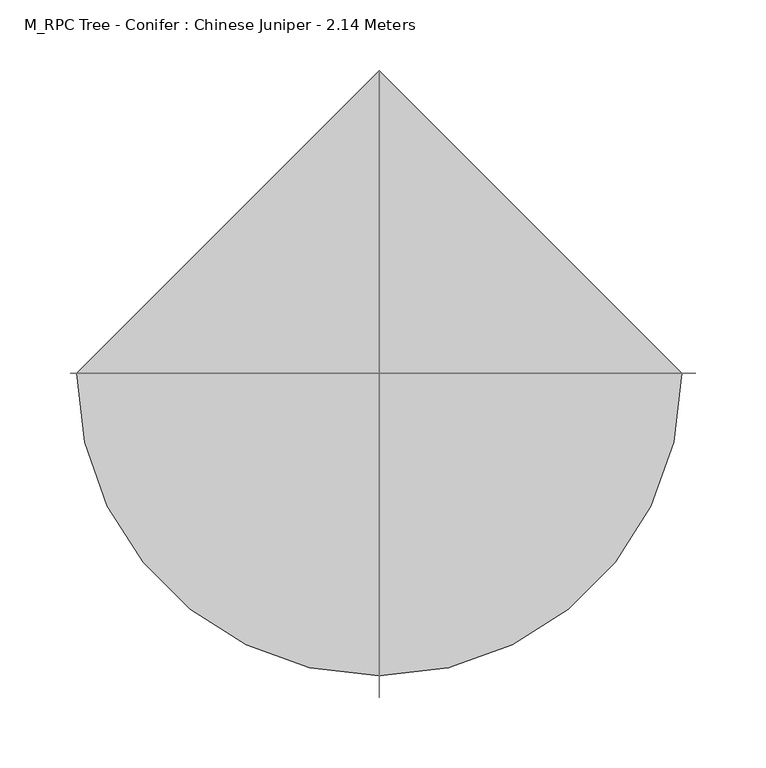
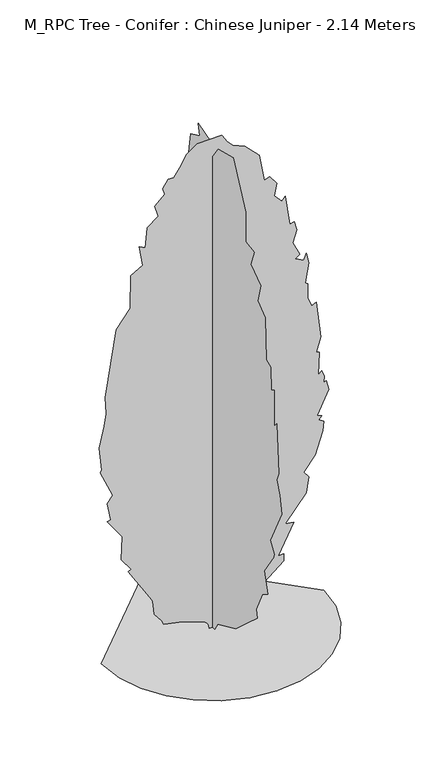
"""IFC4 building model written with IfcOpenShell, lengths in millimetres: geographic element geometry, M_RPC Tree - Conifer : Chinese Juniper - 2.14 Meters."""

from ifc_helpers import new_model, si_unit, origin, place, context, project, spatial, triangles, source, transform, mapped, element, save


def m_rpc_tree_conifer_chinese_juniper_2_14_meters_c57331a4(model_context):
    return source(origin(), model_context, "Body", "Tessellation", [
        triangles([(-6.6998034, 3e-07, 6e-07), (-8.3352851, -1e-07, 8.4081816), (-12.7481329, -3e-07, 14.2442125), (-57.8110152, 7e-07, 30.8285507), (-94.4193458, 1.8e-06, 38.5966721), (-97.9281705, 1.5e-06, 47.3686021), (-112.065716, 1e-06, 65.4662802), (-115.4722667, -5e-07, 92.9827965), (-120.7358626, -9e-07, 103.5091434), (-162.840769, -3e-06, 170.1755502), (-157.3931364, -3.4e-06, 173.4493692), (-176.0229585, -4.2e-06, 199.5661254), (-174.134847, -7e-06, 245.8888793), (-203.192085, -8.2e-06, 285.966393), (-196.1741994, -8.6e-06, 287.7199742), (-202.9194636, -1.04e-05, 323.1724614), (-192.6646753, -1.16e-05, 336.8427389), (-217.2266572, -1.38e-05, 391.2298262), (-213.7183139, -1.42e-05, 394.7381876), (-218.9814192, -1.68e-05, 442.1061902), (-209.4599619, -1.97e-05, 483.4336822), (-204.9456662, -2.13e-05, 507.0194881), (-206.7004283, -2.32e-05, 540.3529186), (-185.6479887, -3.19e-05, 671.9319511), (-159.3324257, -3.52e-05, 707.0201437), (-157.9098018, -3.91e-05, 772.5096056), (-134.7704257, -4.09e-05, 785.9680138), (-141.7883112, -4.3e-05, 826.3180944), (-129.8108901, -4.32e-05, 819.4467115), (-125.998968, -4.57e-05, 859.6515976), (-104.9456927, -4.76e-05, 875.4408955), (-111.963333, -4.86e-05, 898.2481516), (-92.6649379, -5.05e-05, 915.7922115), (-96.1737536, -5.11e-05, 928.0732206), (-85.6474157, -5.25e-05, 943.8625185), (-75.1210688, -5.3e-05, 943.8625185), (-63.0436492, -5.44e-05, 959.5435381), (-50.9355174, -5.63e-05, 982.3055208), (-29.2115187, -5.81e-05, 997.0163235), (17.4997029, -6.02e-05, 997.750799), (28.3880701, -5.97e-05, 980.7043104), (38.914417, -5.95e-05, 970.1781361), (62.3174671, -6e-05, 960.2661684), (89.7917212, -5.94e-05, 931.5815821), (100.3180682, -5.67e-05, 877.1956575), (110.8444061, -5.73e-05, 880.704019), (123.6827848, -5.68e-05, 862.3372622), (119.6160999, -5.52e-05, 838.5991035), (133.651862, -5.49e-05, 822.8098057), (140.6685486, -5.56e-05, 829.8276913), (149.4411962, -5.24e-05, 770.1774805), (158.2126539, -5.29e-05, 771.9322426), (162.9828933, -5.21e-05, 754.5524168), (155.1424016, -5.03e-05, 730.7035091), (168.7388646, -4.92e-05, 701.7570202), (159.5459846, -4.85e-05, 696.2450747), (175.7567502, -4.87e-05, 687.721249), (181.0198555, -4.96e-05, 700.0022581), (186.2829791, -4.86e-05, 678.9497641), (179.2662925, -4.6e-05, 640.3532101), (184.3317719, -4.6e-05, 636.1853685), (183.6281992, -4.42e-05, 607.6876531), (191.5460844, -4.35e-05, 589.4756833), (200.3187321, -4.41e-05, 592.9840447), (209.0901989, -4.01e-05, 519.3004609), (200.3187321, -3.8e-05, 491.2301539), (205.7818434, -3.82e-05, 489.3741989), (203.8270753, -3.54e-05, 443.8609523), (210.8449609, -3.6e-05, 449.1240758), (216.1080663, -3.55e-05, 436.8430667), (214.3533042, -3.47e-05, 424.5632566), (219.6164095, -3.5e-05, 426.316856), (224.8795331, -3.41e-05, 407.0191604), (202.0723133, -3.04e-05, 361.4047208), (210.8449609, -3.05e-05, 357.8963957), (205.5818374, -2.99e-05, 350.8785101), (214.3533042, -3e-05, 345.6153866), (212.5080498, -2.88e-05, 326.706984), (198.56397, -2.55e-05, 282.4568507), (175.7567502, -2.28e-05, 254.3865256), (186.2829791, -2.26e-05, 242.1055346), (180.5293877, -2.05e-05, 211.4578232), (140.6685486, -1.58e-05, 161.4040834), (156.4590727, -1.63e-05, 159.6493213), (126.6339855, -1.16e-05, 101.7547356), (137.1602053, -1.21e-05, 101.7547356), (137.1602053, -1.12e-05, 87.7195639), (59.9668657, -4.1e-06, 24.5615072), (59.9668657, -4.6e-06, 33.3334396), (7.335337, -3e-07, 0.0), (0.1966716, 6.4628658, 6.09e-05), (0.1966723, 16.1610037, 6.7005693), (0.1966735, 36.2874971, 14.0352829), (0.1966744, 83.6561038, 31.5791498), (0.1966765, 108.2176133, 54.386247), (0.1966761, 97.6912663, 56.1406548), (0.1966801, 135.2385293, 110.2627373), (0.1966808, 124.0075379, 136.8421015), (0.1966823, 155.5862154, 182.4565411), (0.1966831, 152.0778721, 203.5089807), (0.1966853, 174.8838929, 231.5793058), (0.1966871, 182.5517751, 265.1532376), (0.1966866, 178.3934352, 300.0009652), (0.1966896, 206.4637603, 342.1058624), (0.1966915, 208.2173415, 384.2119406), (0.1966926, 198.0839666, 418.6692123), (0.1966938, 213.4804469, 473.6860577), (0.196694, 199.4458747, 492.983717), (0.1966957, 181.9017785, 549.1243672), (0.1966961, 194.1827694, 587.7209212), (0.1966979, 180.1469982, 643.8615715), (0.1966986, 162.604101, 677.195002), (0.1966994, 153.8314533, 747.3714598), (0.1966987, 143.3052245, 742.1083363), (0.1967015, 143.3052245, 805.2656731), (0.1967008, 122.2527758, 810.5287966), (0.1967, 111.1151199, 848.0050701), (0.1967011, 104.7087886, 878.9504196), (0.1967011, 83.6561038, 900.0029137), (0.1967034, 73.1297568, 963.1614132), (0.1967008, 43.3050193, 977.1960217), (0.196702, 47.8345575, 999.7793816), (0.1966996, 5.3190646, 986.2257757), (0.1967, 2.9540453, 956.1435276), (0.1966985, -18.0986296, 985.9686693), (0.1966969, -68.975936, 1000.0032051), (0.1966932, -111.0814283, 914.0374495), (0.1966906, -111.0814283, 854.3884741), (0.1966892, -138.8290169, 849.449168), (0.1966883, -126.8706444, 817.5466822), (0.1966877, -160.687412, 794.4620447), (0.1966865, -151.4326263, 757.8976341), (0.1966846, -175.9934182, 738.5988121), (0.1966826, -179.5029605, 654.3878185), (0.1966817, -193.8268137, 648.2770723), (0.1966796, -195.2922947, 601.7566924), (0.1966795, -205.8185236, 608.7733789), (0.1966782, -205.8185236, 535.0897951), (0.1966763, -214.5899722, 545.6160421), (0.1966736, -221.6078578, 447.3704764), (0.1966732, -213.9899724, 430.6597232), (0.1966716, -225.1173819, 405.2643983), (0.1966717, -230.3805054, 370.1761694), (0.1966701, -193.5375326, 294.7378417), (0.1966686, -205.8185236, 273.6854021), (0.1966702, -204.7804147, 266.2532431), (0.1966696, -172.4850749, 219.2995139), (0.1966673, -184.7660658, 178.9481978), (0.1966676, -165.4671893, 166.6672069), (0.1966685, -146.1695209, 124.5623006), (0.1966676, -149.6778642, 108.7723759), (0.1966678, -114.5901258, 77.1933442), (0.1966679, -77.7478706, 43.8599046), (0.1966694, -16.343981, 15.7895749), (0.196671, -7.5722741, 6.01e-05), (-214.5409381, 0.0, 6.99e-05), (-208.863523, -49.20361, 6.67e-05), (-192.6956145, -94.3893512, 6.33e-05), (-167.331247, -134.2623353, 5.99e-05), (-134.0656631, -167.5279102, 5.64e-05), (-94.192679, -192.8922777, 5.32e-05), (-49.0069378, -209.0601861, 5.02e-05), (0.1966807, -214.7376012, 4.77e-05), (49.4002823, -209.0601861, 4.59e-05), (94.5860234, -192.8922777, 4.49e-05), (134.4590075, -167.5279102, 4.47e-05), (167.7245733, -134.2623353, 4.52e-05), (193.0889408, -94.3892331, 4.65e-05), (209.2568493, -49.20361, 4.85e-05), (214.9342644, 1.88e-05, 5.12e-05), (0.196643, 214.7376012, 7.33e-05)], [[57, 58, 59], [27, 28, 29], [87, 88, 89], [49, 50, 51], [13, 14, 15], [83, 84, 85], [74, 75, 76], [63, 64, 65], [68, 69, 70], [71, 72, 73], [9, 10, 11], [85, 86, 87], [85, 87, 89], [51, 52, 53], [54, 55, 56], [90, 1, 2], [66, 67, 68], [45, 46, 47], [17, 18, 19], [68, 70, 71], [45, 47, 48], [31, 32, 33], [76, 77, 78], [89, 90, 2], [89, 2, 3], [57, 59, 60], [51, 53, 54], [25, 26, 27], [39, 40, 41], [56, 57, 60], [71, 73, 74], [34, 35, 36], [33, 34, 36], [4, 5, 6], [60, 61, 62], [80, 81, 82], [38, 39, 41], [37, 38, 41], [37, 41, 42], [29, 30, 31], [15, 16, 17], [36, 37, 42], [33, 36, 42], [31, 33, 42], [31, 42, 43], [31, 43, 44], [31, 44, 45], [29, 31, 45], [29, 45, 48], [27, 29, 48], [25, 27, 48], [25, 48, 49], [25, 49, 51], [25, 51, 54], [25, 54, 56], [25, 56, 60], [25, 60, 62], [24, 25, 62], [23, 24, 62], [22, 23, 62], [22, 62, 63], [22, 63, 65], [22, 65, 66], [22, 66, 68], [21, 22, 68], [20, 21, 68], [19, 20, 68], [17, 19, 68], [17, 68, 71], [17, 71, 74], [15, 17, 74], [13, 15, 74], [13, 74, 76], [13, 76, 78], [13, 78, 79], [13, 79, 80], [12, 13, 80], [11, 12, 80], [9, 11, 80], [9, 80, 82], [9, 82, 83], [9, 83, 85], [9, 85, 89], [9, 89, 3], [9, 3, 4], [8, 9, 4], [8, 4, 6], [7, 8, 6], [138, 139, 140], [94, 95, 96], [136, 137, 138], [121, 122, 123], [112, 113, 114], [128, 129, 130], [121, 123, 124], [125, 126, 127], [124, 125, 127], [114, 115, 116], [147, 148, 149], [130, 131, 132], [124, 127, 128], [134, 135, 136], [154, 155, 91], [154, 91, 92], [150, 151, 152], [96, 97, 98], [119, 120, 121], [119, 121, 124], [119, 124, 128], [118, 119, 128], [117, 118, 128], [116, 117, 128], [116, 128, 130], [114, 116, 130], [114, 130, 132], [112, 114, 132], [112, 132, 133], [112, 133, 134], [112, 134, 136], [111, 112, 136], [110, 111, 136], [109, 110, 136], [109, 136, 138], [109, 138, 140], [109, 140, 141], [108, 109, 141], [107, 108, 141], [106, 107, 141], [105, 106, 141], [104, 105, 141], [103, 104, 141], [103, 141, 142], [103, 142, 143], [103, 143, 144], [102, 103, 144], [101, 102, 144], [100, 101, 144], [100, 144, 145], [100, 145, 146], [100, 146, 147], [100, 147, 149], [100, 149, 150], [100, 150, 152], [100, 152, 153], [100, 153, 154], [99, 100, 154], [98, 99, 154], [96, 98, 154], [96, 154, 92], [96, 92, 93], [96, 93, 94], [170, 171, 156], [169, 170, 156], [169, 156, 157], [168, 169, 157], [168, 157, 158], [168, 158, 159], [167, 168, 159], [166, 167, 159], [166, 159, 160], [166, 160, 161], [166, 161, 162], [166, 162, 163], [166, 163, 164], [166, 164, 165]], closed=False),
    ])


if __name__ == "__main__":
    model = new_model("IFC4")
    model_context = context("Model", 3, world=origin())
    ifc_project = project(units=[si_unit("LENGTHUNIT", "METRE", prefix="MILLI")], contexts=[model_context])
    site = spatial("IfcSite", under=ifc_project)
    building = spatial("IfcBuilding", under=site)
    placement = place(None, origin())
    m_rpc_tree_conifer_chinese_juniper_2_14_meters_shape = m_rpc_tree_conifer_chinese_juniper_2_14_meters_c57331a4(model_context)
    element("IfcGeographicElement", 1, ObjectType="M_RPC Tree - Conifer : Chinese Juniper - 2.14 Meters", at=placement, inside=building, context=model_context, shape_type="MappedRepresentation", body=[
        mapped(m_rpc_tree_conifer_chinese_juniper_2_14_meters_shape, transform((0.0, 0.0, 0.0), x_axis=(1.0, 0.0, 0.0), y_axis=(0.0, 1.0, 0.0), z_axis=(0.0, 0.0, 1.0))),
    ])
    save(model, "model.ifc")
